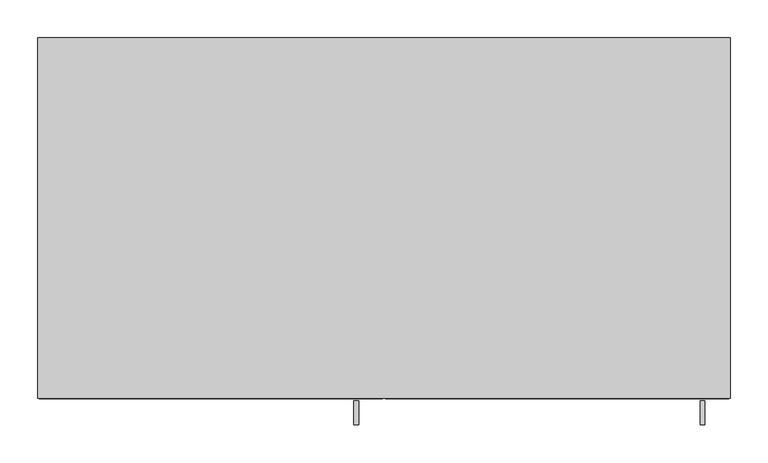
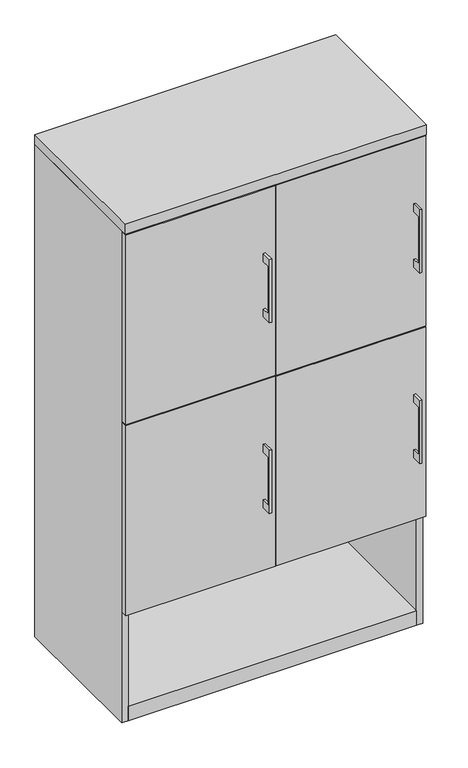
"""IFC4 building model written with IfcOpenShell, lengths in millimetres: furniture geometry."""

from ifc_helpers import new_model, si_unit, frame, origin, origin_with_axes, place, context, project, spatial, polyline, outline, extrude, source, transform, mapped, element, save


def furniture_36a3521d(model_context):
    return source(origin(), model_context, "Body", "SweptSolid", [
        extrude(outline(polyline([(-479.425, 1349.375), (-504.8249758, 1349.375), (-504.8249758, 1196.975), (-479.425, 1196.975), (-479.425, 1171.575), (-511.1749879, 1171.575), (-511.1749879, 1374.775), (-479.425, 1374.775), (-479.425, 1349.375)])), frame((417.5125121, 0.0, 0.0), z_axis=(1.0, 0.0, 0.0), x_axis=(0.0, 1.0, 0.0)), (0.0, 0.0, 1.0), 6.3499758),
        extrude(outline(polyline([(455.6125, -476.25), (1.5875, -476.25), (1.5875, -457.2), (455.6125, -457.2), (455.6125, -476.25)])), frame((0.0, 0.0, 968.375), z_axis=(0.0, 0.0, 1.0), x_axis=(1.0, 0.0, 0.0)), (0.0, 0.0, 1.0), 609.6),
        extrude(outline(polyline([(-479.425, 1349.375), (-504.8249758, 1349.375), (-504.8249758, 1196.975), (-479.425, 1196.975), (-479.425, 1171.575), (-511.1749879, 1171.575), (-511.1749879, 1374.775), (-479.425, 1374.775), (-479.425, 1349.375)])), frame((-39.6874879, 0.0, 0.0), z_axis=(1.0, 0.0, 0.0), x_axis=(0.0, 1.0, 0.0)), (0.0, 0.0, 1.0), 6.3499758),
        extrude(outline(polyline([(-1.5875, -476.25), (-455.6125, -476.25), (-455.6125, -457.2), (-1.5875, -457.2), (-1.5875, -476.25)])), frame((0.0, 0.0, 968.375), z_axis=(0.0, 0.0, 1.0), x_axis=(1.0, 0.0, 0.0)), (0.0, 0.0, 1.0), 609.6),
        extrude(outline(polyline([(-479.425, 736.6), (-504.8249758, 736.6), (-504.8249758, 584.2), (-479.425, 584.2), (-479.425, 558.8), (-511.1749879, 558.8), (-511.1749879, 762.0), (-479.425, 762.0), (-479.425, 736.6)])), frame((417.5125121, 0.0, 0.0), z_axis=(1.0, 0.0, 0.0), x_axis=(0.0, 1.0, 0.0)), (0.0, 0.0, 1.0), 6.3499758),
        extrude(outline(polyline([(455.6125, -476.25), (1.5875, -476.25), (1.5875, -457.2), (455.6125, -457.2), (455.6125, -476.25)])), frame((0.0, 0.0, 355.6), z_axis=(0.0, 0.0, 1.0), x_axis=(1.0, 0.0, 0.0)), (0.0, 0.0, 1.0), 609.6),
        extrude(outline(polyline([(-479.425, 736.6), (-504.8249758, 736.6), (-504.8249758, 584.2), (-479.425, 584.2), (-479.425, 558.8), (-511.1749879, 558.8), (-511.1749879, 762.0), (-479.425, 762.0), (-479.425, 736.6)])), frame((-39.6874879, 0.0, 0.0), z_axis=(1.0, 0.0, 0.0), x_axis=(0.0, 1.0, 0.0)), (0.0, 0.0, 1.0), 6.3499758),
        extrude(outline(polyline([(-1.5875, -476.25), (-455.6125, -476.25), (-455.6125, -457.2), (-1.5875, -457.2), (-1.5875, -476.25)])), frame((0.0, 0.0, 355.6), z_axis=(0.0, 0.0, 1.0), x_axis=(1.0, 0.0, 0.0)), (0.0, 0.0, 1.0), 609.6),
        extrude(outline(polyline([(438.15, -19.05), (438.15, -457.2), (-438.15, -457.2), (-438.15, -19.05), (438.15, -19.05)])), frame((0.0, 0.0, 352.425), z_axis=(0.0, 0.0, 1.0), x_axis=(1.0, 0.0, 0.0)), (0.0, 0.0, 1.0), 19.05),
        extrude(outline(polyline([(9.525, -19.05), (9.525, -457.2), (-9.525, -457.2), (-9.525, -19.05), (9.525, -19.05)])), frame((0.0, 0.0, 371.475), z_axis=(0.0, 0.0, 1.0), x_axis=(1.0, 0.0, 0.0)), (0.0, 0.0, 1.0), 1209.675),
        extrude(outline(polyline([(438.15, -19.05), (438.15, -457.2), (-438.15, -457.2), (-438.15, -19.05), (438.15, -19.05)])), origin_with_axes(), (0.0, 0.0, 1.0), 47.625),
        extrude(outline(polyline([(457.2, 0.0), (457.2, -476.25), (-457.2, -476.25), (-457.2, 0.0), (457.2, 0.0)])), frame((0.0, 0.0, 1581.15), z_axis=(0.0, 0.0, 1.0), x_axis=(1.0, 0.0, 0.0)), (0.0, 0.0, 1.0), 31.75),
        extrude(outline(polyline([(457.2, 0.0), (457.2, -457.2), (438.15, -457.2), (438.15, -19.05), (-438.15, -19.05), (-438.15, -457.2), (-457.2, -457.2), (-457.2, 0.0), (457.2, 0.0)])), origin_with_axes(), (0.0, 0.0, 1.0), 1581.15),
    ])


if __name__ == "__main__":
    model = new_model("IFC4")
    model_context = context("Model", 3, world=origin())
    ifc_project = project(units=[si_unit("LENGTHUNIT", "METRE", prefix="MILLI")], contexts=[model_context])
    site = spatial("IfcSite", under=ifc_project)
    building = spatial("IfcBuilding", under=site)
    placement = place(None, origin())
    furniture_shape = furniture_36a3521d(model_context)
    element("IfcFurniture", 1, at=placement, inside=building, context=model_context, shape_type="MappedRepresentation", body=[
        mapped(furniture_shape, transform((0.0, 0.0, 0.0), x_axis=(1.0, 0.0, 0.0), y_axis=(0.0, 1.0, 0.0), z_axis=(0.0, 0.0, 1.0))),
    ])
    save(model, "model.ifc")
